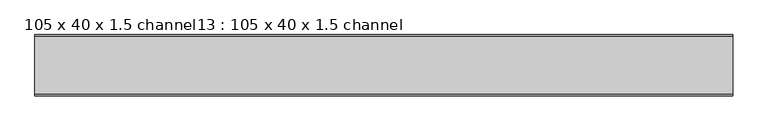
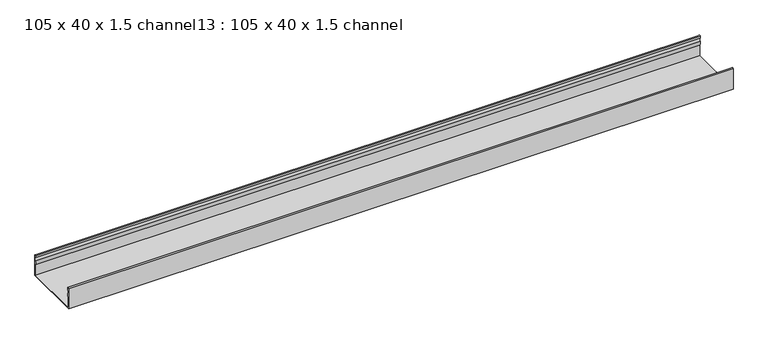
"""IFC4 building model written with IfcOpenShell, lengths in millimetres: proxy geometry, 105 x 40 x 1.5 channel13 : 105 x 40 x 1.5 channel."""

from ifc_helpers import new_model, si_unit, point, frame, frame_2d, origin, place, context, project, spatial, polyline, circle_curve, trimmed, segment, composite_curve, outline, extrude, source, transform, mapped, element, save


def proxy_105_x_40_x_1_5_channel13_105_x_40_x_1_5_channel_80312bf8(model_context):
    return source(origin(), model_context, "Body", "SweptSolid", [
        extrude(outline(composite_curve([segment(trimmed(circle_curve(frame_2d((-31247.5343538, 32.0)), 10.0), [point((-31237.9590458, 29.1166898))], [point((-31237.9590458, 34.8833102))], True, "CARTESIAN"), True, "CONTINUOUS"), segment(polyline([(-31237.9590458, 34.8833102), (-31238.5343538, 38.8)]), True, "CONTINUOUS"), segment(trimmed(circle_curve(frame_2d((-31237.3343538, 38.8)), 1.2), [point((-31238.5343538, 38.8))], [point((-31236.1343538, 38.8))], False, "CARTESIAN"), True, "CONTINUOUS"), segment(polyline([(-31236.1343538, 38.8), (-31236.1343538, 0.0), (-31341.4343538, 0.0), (-31341.4343538, 38.8)]), True, "CONTINUOUS"), segment(trimmed(circle_curve(frame_2d((-31340.2343538, 38.8)), 1.2), [point((-31341.4343538, 38.8))], [point((-31339.0343538, 38.8))], False, "CARTESIAN"), True, "CONTINUOUS"), segment(polyline([(-31339.0343538, 38.8), (-31339.6096617, 34.8833102)]), True, "CONTINUOUS"), segment(trimmed(circle_curve(frame_2d((-31330.0343538, 32.0)), 10.0), [point((-31339.6096617, 34.8833102))], [point((-31339.6096617, 29.1166898))], True, "CARTESIAN"), True, "CONTINUOUS"), segment(trimmed(circle_curve(frame_2d((-31349.0343538, 25.77376)), 10.0), [point((-31339.6096617, 29.1166898))], [point((-31340.0343538, 21.4148611))], False, "CARTESIAN"), True, "CONTINUOUS"), segment(polyline([(-31340.0343538, 21.4148611), (-31340.0343538, 1.4), (-31237.5343538, 1.4), (-31237.5343538, 21.4148611)]), True, "CONTINUOUS"), segment(trimmed(circle_curve(frame_2d((-31228.5343538, 25.77376)), 10.0), [point((-31237.5343538, 21.4148611))], [point((-31237.9590458, 29.1166898))], False, "CARTESIAN"), True, "CONTINUOUS")], self_intersect=False)), frame((6056.2644406, 0.0, 0.0), z_axis=(1.0, 0.0, 0.0), x_axis=(0.0, 1.0, 0.0)), (0.0, 0.0, 1.0), 1200.1845315),
    ])


if __name__ == "__main__":
    model = new_model("IFC4")
    model_context = context("Model", 3, world=origin())
    ifc_project = project(units=[si_unit("LENGTHUNIT", "METRE", prefix="MILLI")], contexts=[model_context])
    site = spatial("IfcSite", under=ifc_project)
    building = spatial("IfcBuilding", under=site)
    placement = place(None, origin())
    proxy_105_x_40_x_1_5_channel13_105_x_40_x_1_5_channel_shape = proxy_105_x_40_x_1_5_channel13_105_x_40_x_1_5_channel_80312bf8(model_context)
    element("IfcBuildingElementProxy", 1, Name="105 x 40 x 1.5 channel13 : 105 x 40 x 1.5 channel", ObjectType="105 x 40 x 1.5 channel13 : 105 x 40 x 1.5 channel", at=placement, inside=building, context=model_context, shape_type="MappedRepresentation", body=[
        mapped(proxy_105_x_40_x_1_5_channel13_105_x_40_x_1_5_channel_shape, transform((0.0, 0.0, 0.0), x_axis=(1.0, 0.0, 0.0), y_axis=(0.0, 1.0, 0.0), z_axis=(0.0, 0.0, 1.0))),
    ])
    save(model, "model.ifc")
